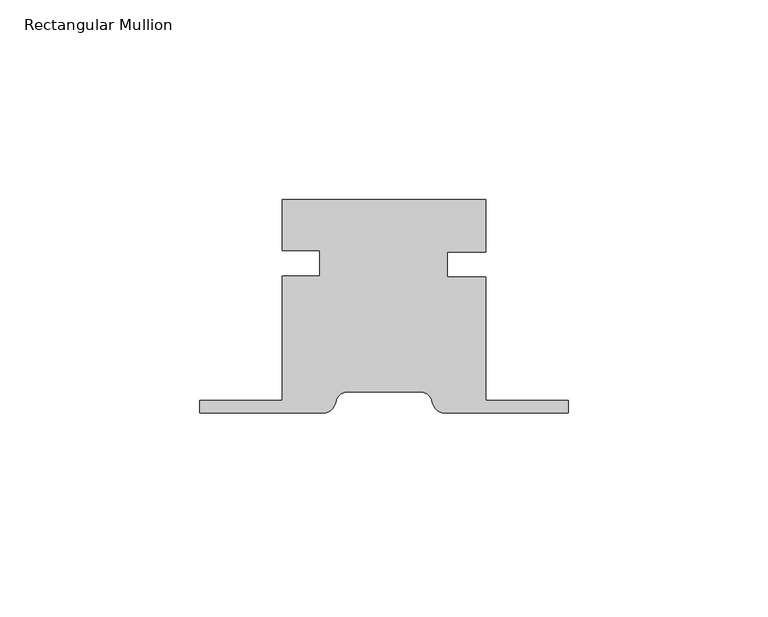
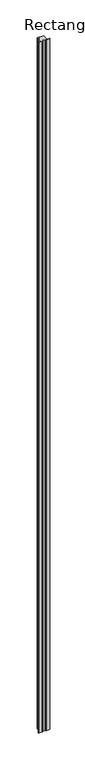
"""IFC4 building model written with IfcOpenShell, lengths in millimetres: member geometry, Rectangular Mullion."""

from ifc_helpers import new_model, si_unit, point, frame, frame_2d, origin, place, context, project, spatial, polyline, circle_curve, trimmed, segment, composite_curve, outline, extrude, source, transform, mapped, element, save


def rectangular_mullion_d81495e9(model_context):
    return source(origin(), model_context, "Body", "SweptSolid", [
        extrude(outline(composite_curve([segment(polyline([(25.3975616, 25.0023313), (25.3975616, 11.9550656), (15.8762192, 11.9550656), (15.8762192, 5.6050656), (25.3975616, 5.6050656), (25.3975616, -25.2007687), (46.0375, -25.2007688), (46.0375, -28.3757688), (15.24, -28.3757688)]), True, "CONTINUOUS"), segment(trimmed(circle_curve(frame_2d((15.24, -25.2007687)), 3.175), [point((15.24, -28.3757688))], [point((12.1093932, -25.7298489))], False, "CARTESIAN"), True, "CONTINUOUS"), segment(trimmed(circle_curve(frame_2d((8.9787863, -26.258929)), 3.175), [point((12.1093932, -25.7298489))], [point((8.9787863, -23.083929))], True, "CARTESIAN"), True, "CONTINUOUS"), segment(polyline([(8.9787863, -23.083929), (-8.9787863, -23.083929)]), True, "CONTINUOUS"), segment(trimmed(circle_curve(frame_2d((-8.9787863, -26.258929)), 3.175), [point((-8.9787863, -23.083929))], [point((-12.1093932, -25.7298489))], True, "CARTESIAN"), True, "CONTINUOUS"), segment(trimmed(circle_curve(frame_2d((-15.24, -25.2007687)), 3.175), [point((-12.1093932, -25.7298489))], [point((-15.24, -28.3757687))], False, "CARTESIAN"), True, "CONTINUOUS"), segment(polyline([(-15.24, -28.3757687), (-46.0375, -28.3757687), (-46.0375, -25.2007687), (-25.4012192, -25.2007688), (-25.4012192, 5.9523313), (-16.0642808, 5.9523313), (-16.0642808, 12.3023313), (-25.4012192, 12.3023313), (-25.4012192, 25.0023313), (25.3975616, 25.0023313)]), True, "CONTINUOUS")], self_intersect=False)), frame((0.0, 0.0, -5986.4612808), z_axis=(0.0, 0.0, 1.0), x_axis=(1.0, 0.0, 0.0)), (0.0, 0.0, 1.0), 5986.4612808),
    ])


if __name__ == "__main__":
    model = new_model("IFC4")
    model_context = context("Model", 3, world=origin())
    ifc_project = project(units=[si_unit("LENGTHUNIT", "METRE", prefix="MILLI")], contexts=[model_context])
    site = spatial("IfcSite", under=ifc_project)
    building = spatial("IfcBuilding", under=site)
    placement = place(None, origin())
    rectangular_mullion_shape = rectangular_mullion_d81495e9(model_context)
    element("IfcMember", 1, ObjectType="Rectangular Mullion", at=placement, inside=building, context=model_context, shape_type="MappedRepresentation", body=[
        mapped(rectangular_mullion_shape, transform((0.0, 0.0, 0.0), x_axis=(1.0, 0.0, 0.0), y_axis=(0.0, 1.0, 0.0), z_axis=(0.0, 0.0, 1.0))),
    ])
    save(model, "model.ifc")
